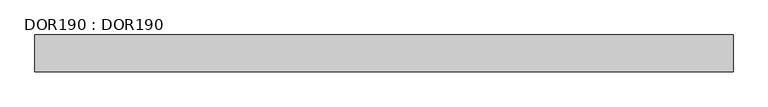
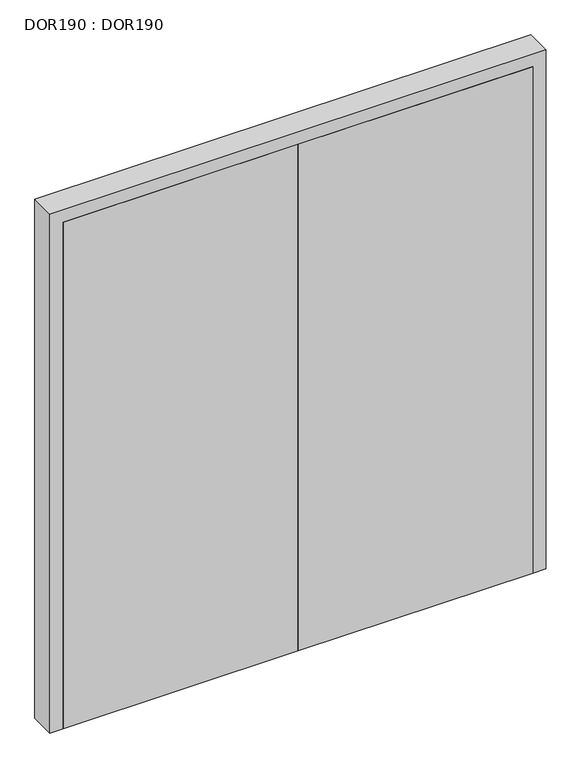
"""IFC4 building model written with IfcOpenShell, lengths in millimetres: proxy geometry, DOR190 : DOR190."""

import ifcopenshell
import ifcopenshell.guid

model = None  # the IFC model being written
_history = None  # IfcOwnerHistory: only IFC2X3 demands one
_inside = {}  # id of a spatial element -> (the spatial element, [elements in it])
_under = {}  # id of a project, library or spatial element -> (it, [spatial elements below it])
_declared = {}  # id of a project -> (the project, [libraries it declares])
_typed = {}  # id of a type object -> (the type object, [elements of that type])
_made_of = {}  # id of a material, layer set ... -> (it, [elements and type objects made of it])


def new_model(schema):
    """Start an empty IFC model of exactly this schema.

    Asked for "IFC4X3", IfcOpenShell would pick the latest addendum, in which some entities
    have other attributes; the version numbers below select the first issue.
    IFC2X3 requires an IfcOwnerHistory on every rooted entity: one is made here for all.
    """
    global model, _history
    if schema == "IFC4X3":
        model = ifcopenshell.file(schema_version=(4, 3, 0, 0))
    else:
        model = ifcopenshell.file(schema=schema)
    _inside.clear()
    _under.clear()
    _declared.clear()
    _typed.clear()
    _made_of.clear()
    _history = None
    if model.schema == "IFC2X3":
        org = make("IfcOrganization", Name="unknown")
        user = make(
            "IfcPersonAndOrganization",
            ThePerson=make("IfcPerson", FamilyName="unknown"),
            TheOrganization=org,
        )
        app = make(
            "IfcApplication",
            ApplicationDeveloper=org,
            Version="unknown",
            ApplicationFullName="unknown",
            ApplicationIdentifier="unknown",
        )
        _history = make(
            "IfcOwnerHistory",
            OwningUser=user,
            OwningApplication=app,
            ChangeAction="ADDED",
            CreationDate=0,
        )
    return model


def make(cls, **values):
    """One entity of the class cls with the attributes given. An attribute that is None is left unset."""
    return model.create_entity(
        cls, **{name: value for name, value in values.items() if value is not None}
    )


def rooted(cls, **values):
    """An entity with a GlobalId (a new one), such as an element, a storey or a relation."""
    return make(cls, GlobalId=ifcopenshell.guid.new(), OwnerHistory=_history, **values)


def si_unit(unit_type, name, prefix=None):
    """IfcSIUnit, for example si_unit("LENGTHUNIT", "METRE", prefix="MILLI")."""
    return make("IfcSIUnit", UnitType=unit_type, Prefix=prefix, Name=name)


def assignment(units):
    """IfcUnitAssignment: the units of a project."""
    return None if units is None else make("IfcUnitAssignment", Units=units)


def point(xyz):
    """IfcCartesianPoint."""
    return None if xyz is None else make("IfcCartesianPoint", Coordinates=xyz)


def direction(xyz):
    """IfcDirection."""
    return None if xyz is None else make("IfcDirection", DirectionRatios=xyz)


def frame(location, z_axis=None, x_axis=None):
    """IfcAxis2Placement3D, a coordinate frame: its origin and axes. An axis left out is left unset."""
    return make(
        "IfcAxis2Placement3D",
        Location=point(location),
        Axis=direction(z_axis),
        RefDirection=direction(x_axis),
    )


def origin():
    """The frame at (0, 0, 0) with its axes left unset."""
    return frame((0.0, 0.0, 0.0))


def origin_with_axes():
    """The frame at (0, 0, 0) with the z axis (0, 0, 1) and the x axis (1, 0, 0) written out."""
    return frame((0.0, 0.0, 0.0), z_axis=(0.0, 0.0, 1.0), x_axis=(1.0, 0.0, 0.0))


def place(relative_to, where):
    """IfcLocalPlacement: puts the frame where relative to a parent placement (None: the world)."""
    return make(
        "IfcLocalPlacement", PlacementRelTo=relative_to, RelativePlacement=where
    )


def context(
    kind, dimensions, precision=None, world=None, true_north=None, identifier=None
):
    """IfcGeometricRepresentationContext, for example the 3D "Model" context."""
    return make(
        "IfcGeometricRepresentationContext",
        ContextIdentifier=identifier,
        ContextType=kind,
        CoordinateSpaceDimension=dimensions,
        Precision=precision,
        WorldCoordinateSystem=world,
        TrueNorth=true_north,
    )


def project(units=None, contexts=None):
    """IfcProject with its units and contexts."""
    return rooted(
        "IfcProject",
        Name="project",
        RepresentationContexts=contexts,
        UnitsInContext=assignment(units),
    )


def spatial(cls, under=None, at=None, **own):
    """A site, building, storey or space (cls), placed at a placement, below another one or the project."""
    s = rooted(cls, ObjectPlacement=at, **own)
    if under is not None:
        _under.setdefault(under.id(), (under, []))[1].append(s)
    return s


def polyline(points):
    """IfcPolyline through the points."""
    return make("IfcPolyline", Points=[point(p) for p in points])


def outline(outer, holes=None, kind="AREA"):
    """IfcArbitraryClosedProfileDef: a profile drawn as a closed curve; with holes, ...WithVoids."""
    if holes is None:
        return make("IfcArbitraryClosedProfileDef", ProfileType=kind, OuterCurve=outer)
    return make(
        "IfcArbitraryProfileDefWithVoids",
        ProfileType=kind,
        OuterCurve=outer,
        InnerCurves=holes,
    )


def extrude(swept, where, along, depth):
    """IfcExtrudedAreaSolid: the profile swept, set in the frame where, extruded along a direction by depth."""
    return make(
        "IfcExtrudedAreaSolid",
        SweptArea=swept,
        Position=where,
        ExtrudedDirection=direction(along),
        Depth=depth,
    )


def shape(context_of_items, identifier, shape_type, items):
    """IfcShapeRepresentation: the items that make up one representation, for example the "Body"."""
    return make(
        "IfcShapeRepresentation",
        ContextOfItems=context_of_items,
        RepresentationIdentifier=identifier,
        RepresentationType=shape_type,
        Items=items,
    )


def source(mapping_origin, context_of_items, identifier, shape_type, items):
    """IfcRepresentationMap: a shape defined once, which mapped items show again and again."""
    return make(
        "IfcRepresentationMap",
        MappingOrigin=mapping_origin,
        MappedRepresentation=shape(context_of_items, identifier, shape_type, items),
    )


def transform(
    local_origin,
    x_axis=None,
    y_axis=None,
    z_axis=None,
    scale=None,
    scale2=None,
    scale3=None,
    uniform=True,
):
    """IfcCartesianTransformationOperator3D, or its non-uniform kind. x_axis, y_axis, z_axis: its Axis1, 2, 3."""
    if uniform:
        return make(
            "IfcCartesianTransformationOperator3D",
            Axis1=direction(x_axis),
            Axis2=direction(y_axis),
            LocalOrigin=point(local_origin),
            Scale=scale,
            Axis3=direction(z_axis),
        )
    return make(
        "IfcCartesianTransformationOperator3DnonUniform",
        Axis1=direction(x_axis),
        Axis2=direction(y_axis),
        LocalOrigin=point(local_origin),
        Scale=scale,
        Axis3=direction(z_axis),
        Scale2=scale2,
        Scale3=scale3,
    )


def mapped(mapping_source, mapping_target):
    """IfcMappedItem: shows the shape of a source again, moved by a transform."""
    return make(
        "IfcMappedItem", MappingSource=mapping_source, MappingTarget=mapping_target
    )


def made_of(thing, what):
    """Note that an element or type object is made of a material, layer set ...; save() writes the relation."""
    if what is not None:
        _made_of.setdefault(what.id(), (what, []))[1].append(thing)
    return thing


def element(
    cls,
    number,
    at=None,
    inside=None,
    cuts=None,
    type_object=None,
    material=None,
    context=None,
    identifier="Body",
    shape_type=None,
    held_by="IfcProductDefinitionShape",
    body=None,
    shapes=None,
    **own,
):
    """One element of the class cls, such as IfcWall. Its Tag is "e" and its number.

    at: its placement. inside: the storey or other place that contains it. cuts: it is an
    opening in that element (IfcRelVoidsElement). A single representation is given by context,
    identifier, shape_type and body (its items); several are given by shapes. held_by: the class
    of the entity that holds the representations. save() writes the other relations.
    """
    e = rooted(cls, Tag="e%d" % number, ObjectPlacement=at, **own)
    if body is not None:
        shapes = [shape(context, identifier, shape_type, body)]
    if shapes is not None:
        e.Representation = make(held_by, Representations=shapes)
    if inside is not None:
        _inside.setdefault(inside.id(), (inside, []))[1].append(e)
    if cuts is not None:
        rooted(
            "IfcRelVoidsElement", RelatingBuildingElement=cuts, RelatedOpeningElement=e
        )
    if type_object is not None:
        _typed.setdefault(type_object.id(), (type_object, []))[1].append(e)
    return made_of(e, material)


def aggregate(whole, parts):
    """IfcRelAggregates: a whole, such as a stair, and the parts it consists of."""
    return rooted("IfcRelAggregates", RelatingObject=whole, RelatedObjects=parts)


def save(model, path):
    """Write the relations noted so far, then the file.

    IfcRelAggregates (storeys below a building ...), IfcRelContainedInSpatialStructure (elements
    in a storey), IfcRelDefinesByType, IfcRelAssociatesMaterial and IfcRelDeclares: one each for
    every whole, place, type object, material and project.
    """
    for whole, parts in _under.values():
        aggregate(whole, parts)
    for where, things in _inside.values():
        rooted(
            "IfcRelContainedInSpatialStructure",
            RelatedElements=things,
            RelatingStructure=where,
        )
    for kind, things in _typed.values():
        rooted("IfcRelDefinesByType", RelatedObjects=things, RelatingType=kind)
    for what, things in _made_of.values():
        rooted("IfcRelAssociatesMaterial", RelatedObjects=things, RelatingMaterial=what)
    for by, libraries in _declared.values():
        rooted("IfcRelDeclares", RelatingContext=by, RelatedDefinitions=libraries)
    model.write(path)


def dor190_dor190_8b9af728(model_context):
    return source(origin(), model_context, "Body", "SweptSolid", [
        extrude(outline(polyline([(1850.0, -59.9999986), (1850.0, -100.0), (950.0000072, -100.0), (950.0000072, -59.9999986), (1850.0, -59.9999986)])), origin_with_axes(), (0.0, 0.0, 1.0), 2050.0000156),
        extrude(outline(polyline([(950.0000072, -59.9999986), (950.0000072, -100.0000008), (50.0000004, -100.0000008), (50.0000004, -59.9999986), (950.0000072, -59.9999986)])), origin_with_axes(), (0.0, 0.0, 1.0), 2050.0000156),
        extrude(outline(polyline([(2100.000016, 0.0), (0.0, 0.0), (0.0, 50.0000004), (2050.0000156, 50.0000004), (2050.0000156, 1850.0000141), (0.0, 1850.0000141), (0.0, 1900.0000145), (2100.000016, 1900.0000145), (2100.000016, 0.0)])), frame((0.0, -100.0000008, 0.0), z_axis=(0.0, 1.0, 0.0), x_axis=(0.0, 0.0, 1.0)), (0.0, 0.0, 1.0), 100.0000008),
    ])


if __name__ == "__main__":
    model = new_model("IFC4")
    model_context = context("Model", 3, world=origin())
    ifc_project = project(units=[si_unit("LENGTHUNIT", "METRE", prefix="MILLI")], contexts=[model_context])
    site = spatial("IfcSite", under=ifc_project)
    building = spatial("IfcBuilding", under=site)
    placement = place(None, origin())
    dor190_dor190_shape = dor190_dor190_8b9af728(model_context)
    element("IfcBuildingElementProxy", 1, Name="DOR190 : DOR190", ObjectType="DOR190 : DOR190", at=placement, inside=building, context=model_context, shape_type="MappedRepresentation", body=[
        mapped(dor190_dor190_shape, transform((0.0, 0.0, 0.0), x_axis=(1.0, 0.0, 0.0), y_axis=(0.0, 1.0, 0.0), z_axis=(0.0, 0.0, 1.0))),
    ])
    save(model, "model.ifc")
